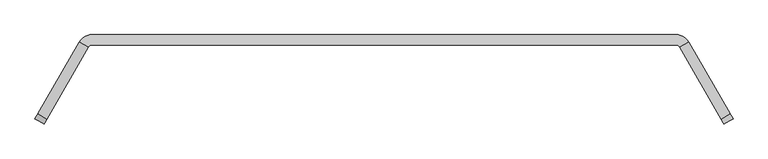
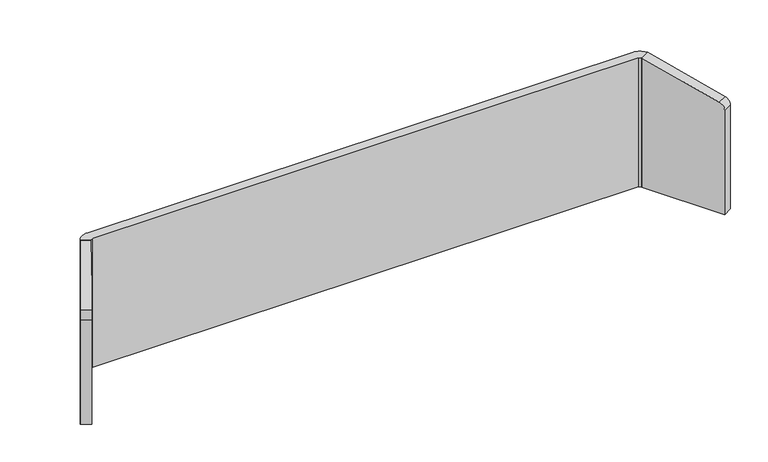
"""IFC4 building model written with IfcOpenShell, lengths in millimetres: furniture geometry."""

from ifc_helpers import new_model, si_unit, point, frame, frame_2d, origin, place, context, project, spatial, polyline, circle_curve, trimmed, segment, composite_curve, outline, extrude, source, transform, mapped, element, save


def furniture_e7050524(model_context):
    return source(origin(), model_context, "Body", "SweptSolid", [
        extrude(outline(composite_curve([segment(polyline([(-24.6357363, -31.5838899), (-96.0023032, 252.7303432), (404.1650892, 252.7303432), (404.1650892, -50.8), (0.0, -50.8)]), True, "CONTINUOUS"), segment(trimmed(circle_curve(frame_2d((0.0, -25.4)), 25.4), [point((0.0, -50.8))], [point((-24.6357363, -31.5838899))], False, "CARTESIAN"), True, "CONTINUOUS")], self_intersect=False)), frame((1705.7134341, -199.7084847, 1156.6400892), z_axis=(0.8670407655731922, 0.4982372033823375, 0.0), x_axis=(0.0, 0.0, -1.0)), (0.0, 0.0, 1.0), 35.9627605),
        extrude(outline(composite_curve([segment(trimmed(circle_curve(frame_2d((0.0, 25.3999999)), 25.4), [point((-24.6357363, 31.5838899))], [point((0.0, 50.8))], False, "CARTESIAN"), True, "CONTINUOUS"), segment(polyline([(0.0, 50.8), (404.1650892, 50.8), (404.1650892, -252.7303433), (-96.0023032, -252.7303433), (-24.6357363, 31.5838899)]), True, "CONTINUOUS")], self_intersect=False)), frame((-564.7263264, -199.7084847, 1156.6400892), z_axis=(-0.8670407655731922, 0.4982372033823375, 0.0), x_axis=(0.0, 0.0, -1.0)), (0.0, 0.0, 1.0), 35.9627605),
        extrude(outline(composite_curve([segment(trimmed(circle_curve(frame_2d((1572.7630604, 36.5621094)), 25.4), [point((1572.7630604, 61.9621094))], [point((1578.2224902, 61.3684518))], False, "CARTESIAN"), True, "CONTINUOUS"), segment(trimmed(circle_curve(frame_2d((1567.4577624, 12.4561043)), 50.0829023), [point((1578.2224902, 61.3684518))], [point((1610.9359467, 37.3145956))], False, "CARTESIAN"), True, "CONTINUOUS"), segment(polyline([(1610.9359467, 37.3145956), (1579.7952673, 19.4198833)]), True, "CONTINUOUS"), segment(trimmed(circle_curve(frame_2d((1566.2326319, 12.9300975)), 15.0353716), [point((1579.7952673, 19.4198833))], [point((1570.4073623, 27.3742667))], True, "CARTESIAN"), True, "CONTINUOUS"), segment(polyline([(1570.4073623, 27.3742667), (-429.4202545, 27.3742667)]), True, "CONTINUOUS"), segment(trimmed(circle_curve(frame_2d((-425.2455241, 12.9300975)), 15.0353716), [point((-429.4202545, 27.3742667))], [point((-438.8081595, 19.4198833))], True, "CARTESIAN"), True, "CONTINUOUS"), segment(polyline([(-438.8081595, 19.4198833), (-469.948839, 37.3145956)]), True, "CONTINUOUS"), segment(trimmed(circle_curve(frame_2d((-426.4706546, 12.4561043)), 50.0829023), [point((-469.948839, 37.3145956))], [point((-437.2353824, 61.3684518))], False, "CARTESIAN"), True, "CONTINUOUS"), segment(trimmed(circle_curve(frame_2d((-431.7759527, 36.5621094)), 25.4), [point((-437.2353824, 61.3684518))], [point((-431.7759527, 61.9621094))], False, "CARTESIAN"), True, "CONTINUOUS"), segment(polyline([(-431.7759527, 61.9621094), (1572.7630604, 61.9621094)]), True, "CONTINUOUS")], self_intersect=False)), frame((0.0, 0.0, 752.475), z_axis=(0.0, 0.0, 1.0), x_axis=(1.0, 0.0, 0.0)), (0.0, 0.0, 1.0), 500.1617188),
    ])


if __name__ == "__main__":
    model = new_model("IFC4")
    model_context = context("Model", 3, world=origin())
    ifc_project = project(units=[si_unit("LENGTHUNIT", "METRE", prefix="MILLI")], contexts=[model_context])
    site = spatial("IfcSite", under=ifc_project)
    building = spatial("IfcBuilding", under=site)
    placement = place(None, origin())
    furniture_shape = furniture_e7050524(model_context)
    element("IfcFurniture", 1, at=placement, inside=building, context=model_context, shape_type="MappedRepresentation", body=[
        mapped(furniture_shape, transform((0.0, 0.0, 0.0), x_axis=(1.0, 0.0, 0.0), y_axis=(0.0, 1.0, 0.0), z_axis=(0.0, 0.0, 1.0))),
    ])
    save(model, "model.ifc")
